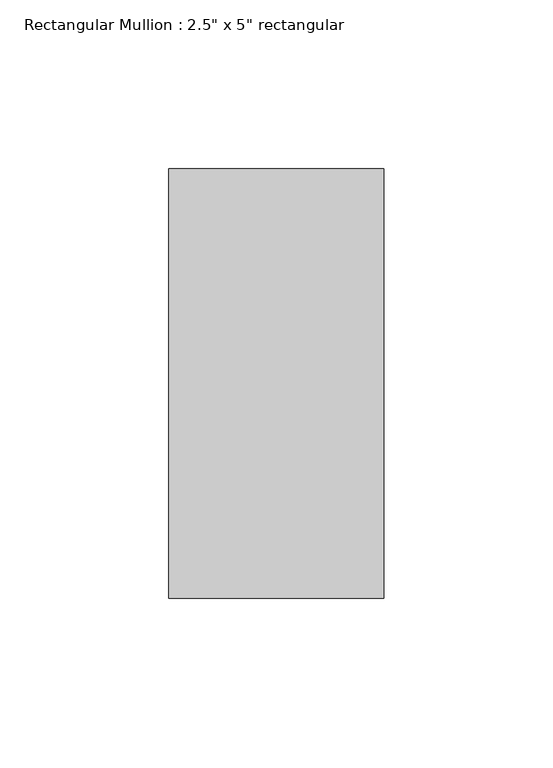
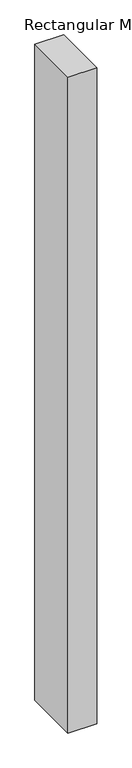
"""IFC4 building model written with IfcOpenShell, lengths in millimetres: member geometry."""

from ifc_helpers import new_model, si_unit, frame, origin, place, context, project, spatial, polyline, outline, extrude, source, transform, mapped, element, save


def member_8212f2c2(model_context):
    return source(origin(), model_context, "Body", "SweptSolid", [
        extrude(outline(polyline([(0.0, 63.5), (0.0, -63.5), (-63.5, -63.5), (-63.5, 63.5), (0.0, 63.5)])), frame((0.0, 0.0, -1536.5), z_axis=(0.0, 0.0, 1.0), x_axis=(1.0, 0.0, 0.0)), (0.0, 0.0, 1.0), 1536.5),
    ])


if __name__ == "__main__":
    model = new_model("IFC4")
    model_context = context("Model", 3, world=origin())
    ifc_project = project(units=[si_unit("LENGTHUNIT", "METRE", prefix="MILLI")], contexts=[model_context])
    site = spatial("IfcSite", under=ifc_project)
    building = spatial("IfcBuilding", under=site)
    placement = place(None, origin())
    member_shape = member_8212f2c2(model_context)
    element("IfcMember", 1, ObjectType="Rectangular Mullion : 2.5\" x 5\" rectangular", at=placement, inside=building, context=model_context, shape_type="MappedRepresentation", body=[
        mapped(member_shape, transform((0.0, 0.0, 0.0), x_axis=(1.0, 0.0, 0.0), y_axis=(0.0, 1.0, 0.0), z_axis=(0.0, 0.0, 1.0))),
    ])
    save(model, "model.ifc")
